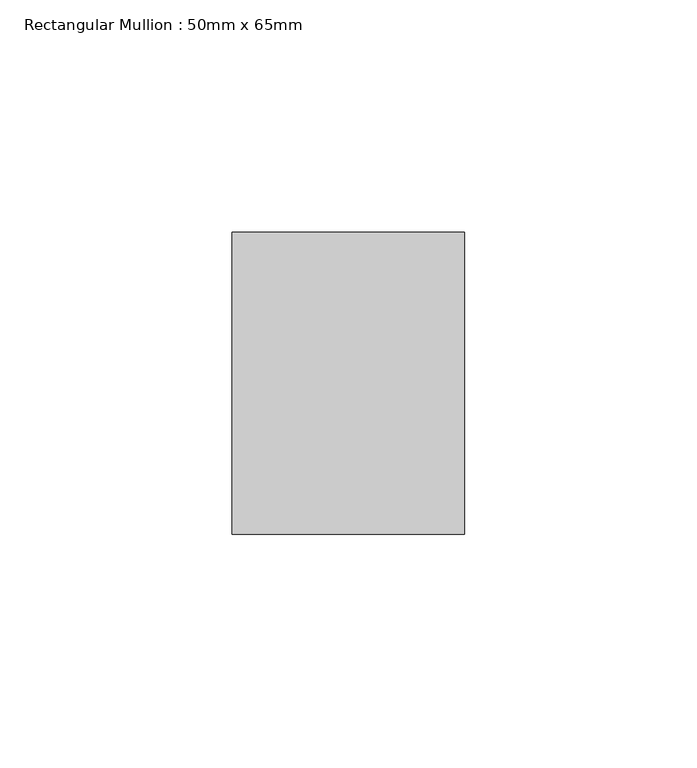
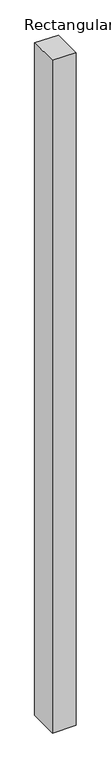
"""IFC4 building model written with IfcOpenShell, lengths in millimetres: member geometry, Rectangular Mullion : 50mm x 65mm."""

from ifc_helpers import new_model, si_unit, origin, place, context, project, spatial, faceted_brep, source, transform, mapped, element, save


def rectangular_mullion_50mm_x_65mm_8bb117b5(model_context):
    return source(origin(), model_context, "Body", "Brep", [
        faceted_brep([(-25.0, 32.5, -0.1073311), (25.0, 32.5, -0.1073315), (25.0, 32.5, -1499.9558055), (-25.0, 32.5, -1499.9558055), (-25.0, -32.5, 0.1073315), (-25.0, -32.5, -1500.0444795), (25.0, -32.5, 0.1073311), (25.0, -32.5, -1500.0444795)], [[[0, 1, 2, 3]], [[4, 0, 3, 5]], [[6, 4, 5, 7]], [[1, 6, 7, 2]], [[1, 0, 4, 6]], [[2, 7, 5, 3]]]),
    ])


if __name__ == "__main__":
    model = new_model("IFC4")
    model_context = context("Model", 3, world=origin())
    ifc_project = project(units=[si_unit("LENGTHUNIT", "METRE", prefix="MILLI")], contexts=[model_context])
    site = spatial("IfcSite", under=ifc_project)
    building = spatial("IfcBuilding", under=site)
    placement = place(None, origin())
    rectangular_mullion_50mm_x_65mm_shape = rectangular_mullion_50mm_x_65mm_8bb117b5(model_context)
    element("IfcMember", 1, ObjectType="Rectangular Mullion : 50mm x 65mm", at=placement, inside=building, context=model_context, shape_type="MappedRepresentation", body=[
        mapped(rectangular_mullion_50mm_x_65mm_shape, transform((0.0, 0.0, 0.0), x_axis=(1.0, 0.0, 0.0), y_axis=(0.0, 1.0, 0.0), z_axis=(0.0, 0.0, 1.0))),
    ])
    save(model, "model.ifc")
